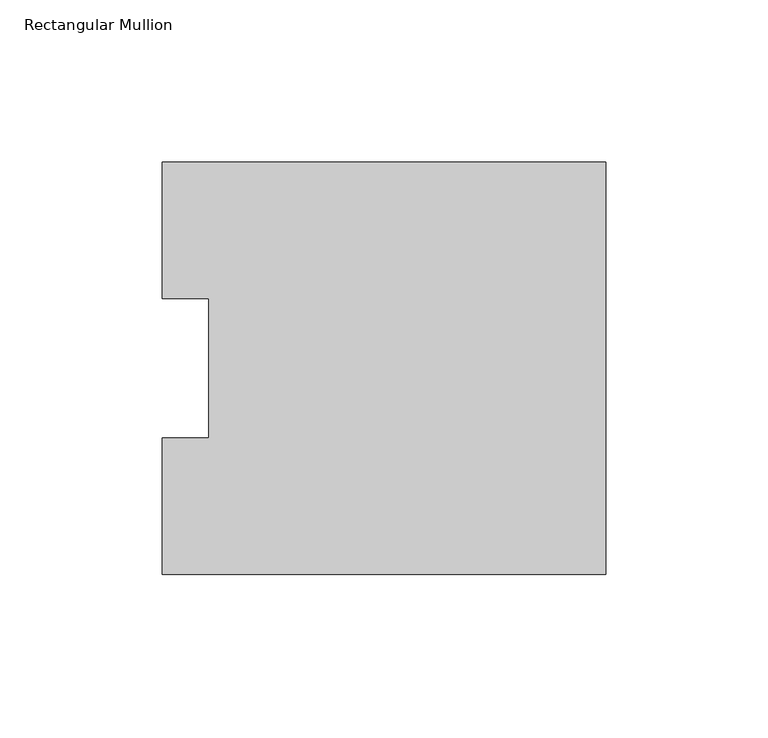
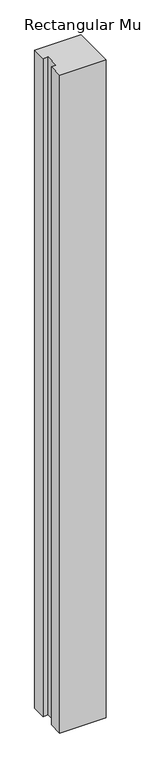
"""IFC4 building model written with IfcOpenShell, lengths in millimetres: member geometry, Rectangular Mullion."""

import ifcopenshell
import ifcopenshell.guid

model = None  # the IFC model being written
_history = None  # IfcOwnerHistory: only IFC2X3 demands one
_inside = {}  # id of a spatial element -> (the spatial element, [elements in it])
_under = {}  # id of a project, library or spatial element -> (it, [spatial elements below it])
_declared = {}  # id of a project -> (the project, [libraries it declares])
_typed = {}  # id of a type object -> (the type object, [elements of that type])
_made_of = {}  # id of a material, layer set ... -> (it, [elements and type objects made of it])


def new_model(schema):
    """Start an empty IFC model of exactly this schema.

    Asked for "IFC4X3", IfcOpenShell would pick the latest addendum, in which some entities
    have other attributes; the version numbers below select the first issue.
    IFC2X3 requires an IfcOwnerHistory on every rooted entity: one is made here for all.
    """
    global model, _history
    if schema == "IFC4X3":
        model = ifcopenshell.file(schema_version=(4, 3, 0, 0))
    else:
        model = ifcopenshell.file(schema=schema)
    _inside.clear()
    _under.clear()
    _declared.clear()
    _typed.clear()
    _made_of.clear()
    _history = None
    if model.schema == "IFC2X3":
        org = make("IfcOrganization", Name="unknown")
        user = make(
            "IfcPersonAndOrganization",
            ThePerson=make("IfcPerson", FamilyName="unknown"),
            TheOrganization=org,
        )
        app = make(
            "IfcApplication",
            ApplicationDeveloper=org,
            Version="unknown",
            ApplicationFullName="unknown",
            ApplicationIdentifier="unknown",
        )
        _history = make(
            "IfcOwnerHistory",
            OwningUser=user,
            OwningApplication=app,
            ChangeAction="ADDED",
            CreationDate=0,
        )
    return model


def make(cls, **values):
    """One entity of the class cls with the attributes given. An attribute that is None is left unset."""
    return model.create_entity(
        cls, **{name: value for name, value in values.items() if value is not None}
    )


def rooted(cls, **values):
    """An entity with a GlobalId (a new one), such as an element, a storey or a relation."""
    return make(cls, GlobalId=ifcopenshell.guid.new(), OwnerHistory=_history, **values)


def si_unit(unit_type, name, prefix=None):
    """IfcSIUnit, for example si_unit("LENGTHUNIT", "METRE", prefix="MILLI")."""
    return make("IfcSIUnit", UnitType=unit_type, Prefix=prefix, Name=name)


def assignment(units):
    """IfcUnitAssignment: the units of a project."""
    return None if units is None else make("IfcUnitAssignment", Units=units)


def point(xyz):
    """IfcCartesianPoint."""
    return None if xyz is None else make("IfcCartesianPoint", Coordinates=xyz)


def direction(xyz):
    """IfcDirection."""
    return None if xyz is None else make("IfcDirection", DirectionRatios=xyz)


def frame(location, z_axis=None, x_axis=None):
    """IfcAxis2Placement3D, a coordinate frame: its origin and axes. An axis left out is left unset."""
    return make(
        "IfcAxis2Placement3D",
        Location=point(location),
        Axis=direction(z_axis),
        RefDirection=direction(x_axis),
    )


def origin():
    """The frame at (0, 0, 0) with its axes left unset."""
    return frame((0.0, 0.0, 0.0))


def place(relative_to, where):
    """IfcLocalPlacement: puts the frame where relative to a parent placement (None: the world)."""
    return make(
        "IfcLocalPlacement", PlacementRelTo=relative_to, RelativePlacement=where
    )


def context(
    kind, dimensions, precision=None, world=None, true_north=None, identifier=None
):
    """IfcGeometricRepresentationContext, for example the 3D "Model" context."""
    return make(
        "IfcGeometricRepresentationContext",
        ContextIdentifier=identifier,
        ContextType=kind,
        CoordinateSpaceDimension=dimensions,
        Precision=precision,
        WorldCoordinateSystem=world,
        TrueNorth=true_north,
    )


def project(units=None, contexts=None):
    """IfcProject with its units and contexts."""
    return rooted(
        "IfcProject",
        Name="project",
        RepresentationContexts=contexts,
        UnitsInContext=assignment(units),
    )


def spatial(cls, under=None, at=None, **own):
    """A site, building, storey or space (cls), placed at a placement, below another one or the project."""
    s = rooted(cls, ObjectPlacement=at, **own)
    if under is not None:
        _under.setdefault(under.id(), (under, []))[1].append(s)
    return s


def polyline(points):
    """IfcPolyline through the points."""
    return make("IfcPolyline", Points=[point(p) for p in points])


def outline(outer, holes=None, kind="AREA"):
    """IfcArbitraryClosedProfileDef: a profile drawn as a closed curve; with holes, ...WithVoids."""
    if holes is None:
        return make("IfcArbitraryClosedProfileDef", ProfileType=kind, OuterCurve=outer)
    return make(
        "IfcArbitraryProfileDefWithVoids",
        ProfileType=kind,
        OuterCurve=outer,
        InnerCurves=holes,
    )


def extrude(swept, where, along, depth):
    """IfcExtrudedAreaSolid: the profile swept, set in the frame where, extruded along a direction by depth."""
    return make(
        "IfcExtrudedAreaSolid",
        SweptArea=swept,
        Position=where,
        ExtrudedDirection=direction(along),
        Depth=depth,
    )


def shape(context_of_items, identifier, shape_type, items):
    """IfcShapeRepresentation: the items that make up one representation, for example the "Body"."""
    return make(
        "IfcShapeRepresentation",
        ContextOfItems=context_of_items,
        RepresentationIdentifier=identifier,
        RepresentationType=shape_type,
        Items=items,
    )


def source(mapping_origin, context_of_items, identifier, shape_type, items):
    """IfcRepresentationMap: a shape defined once, which mapped items show again and again."""
    return make(
        "IfcRepresentationMap",
        MappingOrigin=mapping_origin,
        MappedRepresentation=shape(context_of_items, identifier, shape_type, items),
    )


def transform(
    local_origin,
    x_axis=None,
    y_axis=None,
    z_axis=None,
    scale=None,
    scale2=None,
    scale3=None,
    uniform=True,
):
    """IfcCartesianTransformationOperator3D, or its non-uniform kind. x_axis, y_axis, z_axis: its Axis1, 2, 3."""
    if uniform:
        return make(
            "IfcCartesianTransformationOperator3D",
            Axis1=direction(x_axis),
            Axis2=direction(y_axis),
            LocalOrigin=point(local_origin),
            Scale=scale,
            Axis3=direction(z_axis),
        )
    return make(
        "IfcCartesianTransformationOperator3DnonUniform",
        Axis1=direction(x_axis),
        Axis2=direction(y_axis),
        LocalOrigin=point(local_origin),
        Scale=scale,
        Axis3=direction(z_axis),
        Scale2=scale2,
        Scale3=scale3,
    )


def mapped(mapping_source, mapping_target):
    """IfcMappedItem: shows the shape of a source again, moved by a transform."""
    return make(
        "IfcMappedItem", MappingSource=mapping_source, MappingTarget=mapping_target
    )


def made_of(thing, what):
    """Note that an element or type object is made of a material, layer set ...; save() writes the relation."""
    if what is not None:
        _made_of.setdefault(what.id(), (what, []))[1].append(thing)
    return thing


def element(
    cls,
    number,
    at=None,
    inside=None,
    cuts=None,
    type_object=None,
    material=None,
    context=None,
    identifier="Body",
    shape_type=None,
    held_by="IfcProductDefinitionShape",
    body=None,
    shapes=None,
    **own,
):
    """One element of the class cls, such as IfcWall. Its Tag is "e" and its number.

    at: its placement. inside: the storey or other place that contains it. cuts: it is an
    opening in that element (IfcRelVoidsElement). A single representation is given by context,
    identifier, shape_type and body (its items); several are given by shapes. held_by: the class
    of the entity that holds the representations. save() writes the other relations.
    """
    e = rooted(cls, Tag="e%d" % number, ObjectPlacement=at, **own)
    if body is not None:
        shapes = [shape(context, identifier, shape_type, body)]
    if shapes is not None:
        e.Representation = make(held_by, Representations=shapes)
    if inside is not None:
        _inside.setdefault(inside.id(), (inside, []))[1].append(e)
    if cuts is not None:
        rooted(
            "IfcRelVoidsElement", RelatingBuildingElement=cuts, RelatedOpeningElement=e
        )
    if type_object is not None:
        _typed.setdefault(type_object.id(), (type_object, []))[1].append(e)
    return made_of(e, material)


def aggregate(whole, parts):
    """IfcRelAggregates: a whole, such as a stair, and the parts it consists of."""
    return rooted("IfcRelAggregates", RelatingObject=whole, RelatedObjects=parts)


def save(model, path):
    """Write the relations noted so far, then the file.

    IfcRelAggregates (storeys below a building ...), IfcRelContainedInSpatialStructure (elements
    in a storey), IfcRelDefinesByType, IfcRelAssociatesMaterial and IfcRelDeclares: one each for
    every whole, place, type object, material and project.
    """
    for whole, parts in _under.values():
        aggregate(whole, parts)
    for where, things in _inside.values():
        rooted(
            "IfcRelContainedInSpatialStructure",
            RelatedElements=things,
            RelatingStructure=where,
        )
    for kind, things in _typed.values():
        rooted("IfcRelDefinesByType", RelatedObjects=things, RelatingType=kind)
    for what, things in _made_of.values():
        rooted("IfcRelAssociatesMaterial", RelatedObjects=things, RelatingMaterial=what)
    for by, libraries in _declared.values():
        rooted("IfcRelDeclares", RelatingContext=by, RelatedDefinitions=libraries)
    model.write(path)


def rectangular_mullion_d219017c(model_context):
    return source(origin(), model_context, "Body", "SweptSolid", [
        extrude(outline(polyline([(-136.525, 127.00635), (0.0, 127.00635), (0.0, 0.00635), (-136.525, 0.00635), (-136.525, 42.08145), (-122.2375, 42.08145), (-122.2375, 84.93125), (-136.525, 84.93125), (-136.525, 127.00635)])), frame((0.0, 0.0, -2044.7177772), z_axis=(0.0, 0.0, 1.0), x_axis=(1.0, 0.0, 0.0)), (0.0, 0.0, 1.0), 2044.7177772),
    ])


if __name__ == "__main__":
    model = new_model("IFC4")
    model_context = context("Model", 3, world=origin())
    ifc_project = project(units=[si_unit("LENGTHUNIT", "METRE", prefix="MILLI")], contexts=[model_context])
    site = spatial("IfcSite", under=ifc_project)
    building = spatial("IfcBuilding", under=site)
    placement = place(None, origin())
    rectangular_mullion_shape = rectangular_mullion_d219017c(model_context)
    element("IfcMember", 1, ObjectType="Rectangular Mullion", at=placement, inside=building, context=model_context, shape_type="MappedRepresentation", body=[
        mapped(rectangular_mullion_shape, transform((0.0, 0.0, 0.0), x_axis=(1.0, 0.0, 0.0), y_axis=(0.0, 1.0, 0.0), z_axis=(0.0, 0.0, 1.0))),
    ])
    save(model, "model.ifc")
